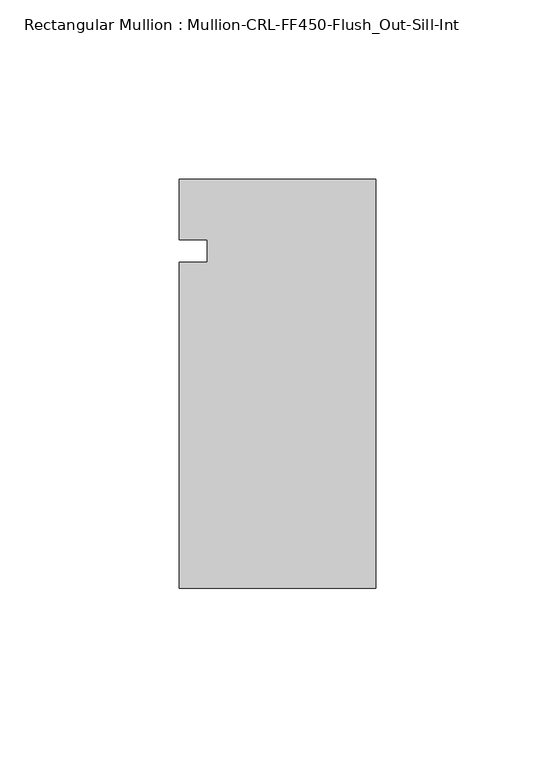
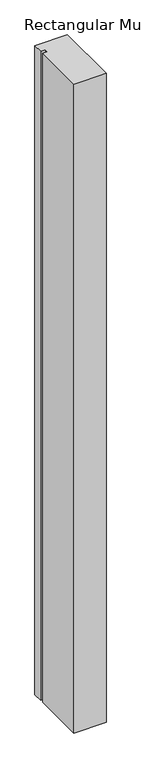
"""IFC4 building model written with IfcOpenShell, lengths in millimetres: member geometry, Rectangular Mullion : Mullion-CRL-FF450-Flush_Out-Sill-Int."""

from ifc_helpers import new_model, si_unit, frame, origin, place, context, project, spatial, polyline, outline, extrude, source, transform, mapped, element, save


def rectangular_mullion_mullion_crl_ff450_flush_out_sill_int_617d4366(model_context):
    return source(origin(), model_context, "Body", "SweptSolid", [
        extrude(outline(polyline([(-54.9910181, -94.1461601), (-54.9910181, -3.1555912), (-47.0535181, -3.1555912), (-47.0535181, 3.1944088), (-54.9910181, 3.1944088), (-54.9910181, 20.160815), (0.0, 20.160815), (0.0, -94.1461601), (-54.9910181, -94.1461601)])), frame((0.0, 0.0, -1166.2740694), z_axis=(0.0, 0.0, 1.0), x_axis=(1.0, 0.0, 0.0)), (0.0, 0.0, 1.0), 1166.2740694),
    ])


if __name__ == "__main__":
    model = new_model("IFC4")
    model_context = context("Model", 3, world=origin())
    ifc_project = project(units=[si_unit("LENGTHUNIT", "METRE", prefix="MILLI")], contexts=[model_context])
    site = spatial("IfcSite", under=ifc_project)
    building = spatial("IfcBuilding", under=site)
    placement = place(None, origin())
    rectangular_mullion_mullion_crl_ff450_flush_out_sill_int_shape = rectangular_mullion_mullion_crl_ff450_flush_out_sill_int_617d4366(model_context)
    element("IfcMember", 1, ObjectType="Rectangular Mullion : Mullion-CRL-FF450-Flush_Out-Sill-Int", at=placement, inside=building, context=model_context, shape_type="MappedRepresentation", body=[
        mapped(rectangular_mullion_mullion_crl_ff450_flush_out_sill_int_shape, transform((0.0, 0.0, 0.0), x_axis=(1.0, 0.0, 0.0), y_axis=(0.0, 1.0, 0.0), z_axis=(0.0, 0.0, 1.0))),
    ])
    save(model, "model.ifc")
